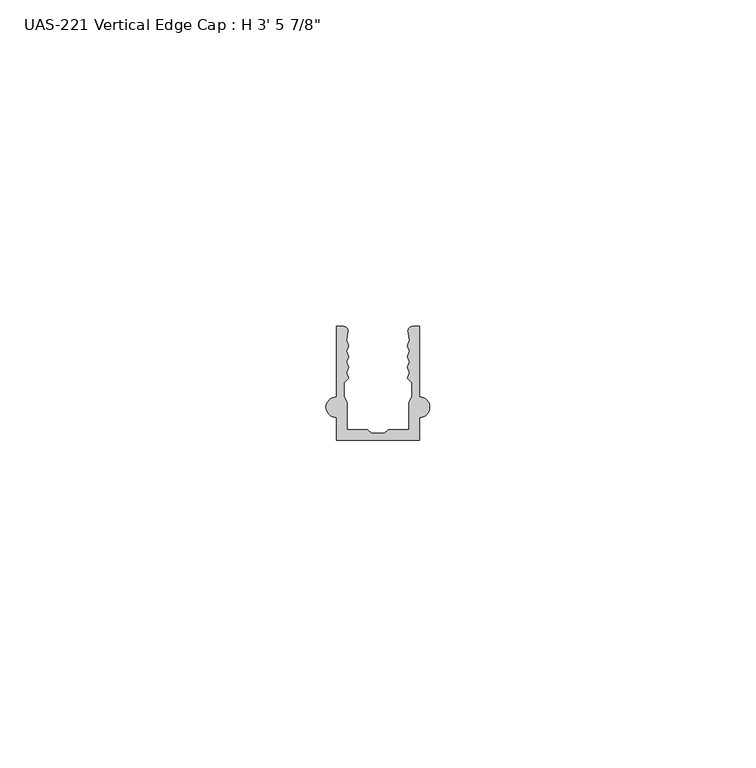
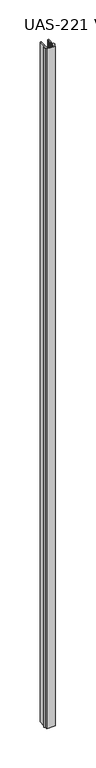
"""IFC4 building model written with IfcOpenShell, lengths in millimetres: proxy geometry."""

import ifcopenshell
import ifcopenshell.guid

model = None  # the IFC model being written
_history = None  # IfcOwnerHistory: only IFC2X3 demands one
_inside = {}  # id of a spatial element -> (the spatial element, [elements in it])
_under = {}  # id of a project, library or spatial element -> (it, [spatial elements below it])
_declared = {}  # id of a project -> (the project, [libraries it declares])
_typed = {}  # id of a type object -> (the type object, [elements of that type])
_made_of = {}  # id of a material, layer set ... -> (it, [elements and type objects made of it])


def new_model(schema):
    """Start an empty IFC model of exactly this schema.

    Asked for "IFC4X3", IfcOpenShell would pick the latest addendum, in which some entities
    have other attributes; the version numbers below select the first issue.
    IFC2X3 requires an IfcOwnerHistory on every rooted entity: one is made here for all.
    """
    global model, _history
    if schema == "IFC4X3":
        model = ifcopenshell.file(schema_version=(4, 3, 0, 0))
    else:
        model = ifcopenshell.file(schema=schema)
    _inside.clear()
    _under.clear()
    _declared.clear()
    _typed.clear()
    _made_of.clear()
    _history = None
    if model.schema == "IFC2X3":
        org = make("IfcOrganization", Name="unknown")
        user = make(
            "IfcPersonAndOrganization",
            ThePerson=make("IfcPerson", FamilyName="unknown"),
            TheOrganization=org,
        )
        app = make(
            "IfcApplication",
            ApplicationDeveloper=org,
            Version="unknown",
            ApplicationFullName="unknown",
            ApplicationIdentifier="unknown",
        )
        _history = make(
            "IfcOwnerHistory",
            OwningUser=user,
            OwningApplication=app,
            ChangeAction="ADDED",
            CreationDate=0,
        )
    return model


def make(cls, **values):
    """One entity of the class cls with the attributes given. An attribute that is None is left unset."""
    return model.create_entity(
        cls, **{name: value for name, value in values.items() if value is not None}
    )


def rooted(cls, **values):
    """An entity with a GlobalId (a new one), such as an element, a storey or a relation."""
    return make(cls, GlobalId=ifcopenshell.guid.new(), OwnerHistory=_history, **values)


def si_unit(unit_type, name, prefix=None):
    """IfcSIUnit, for example si_unit("LENGTHUNIT", "METRE", prefix="MILLI")."""
    return make("IfcSIUnit", UnitType=unit_type, Prefix=prefix, Name=name)


def assignment(units):
    """IfcUnitAssignment: the units of a project."""
    return None if units is None else make("IfcUnitAssignment", Units=units)


def point(xyz):
    """IfcCartesianPoint."""
    return None if xyz is None else make("IfcCartesianPoint", Coordinates=xyz)


def direction(xyz):
    """IfcDirection."""
    return None if xyz is None else make("IfcDirection", DirectionRatios=xyz)


def frame(location, z_axis=None, x_axis=None):
    """IfcAxis2Placement3D, a coordinate frame: its origin and axes. An axis left out is left unset."""
    return make(
        "IfcAxis2Placement3D",
        Location=point(location),
        Axis=direction(z_axis),
        RefDirection=direction(x_axis),
    )


def frame_2d(location, x_axis=None):
    """IfcAxis2Placement2D, a coordinate frame in the plane: its origin and x axis."""
    return make(
        "IfcAxis2Placement2D", Location=point(location), RefDirection=direction(x_axis)
    )


def origin():
    """The frame at (0, 0, 0) with its axes left unset."""
    return frame((0.0, 0.0, 0.0))


def origin_with_axes():
    """The frame at (0, 0, 0) with the z axis (0, 0, 1) and the x axis (1, 0, 0) written out."""
    return frame((0.0, 0.0, 0.0), z_axis=(0.0, 0.0, 1.0), x_axis=(1.0, 0.0, 0.0))


def place(relative_to, where):
    """IfcLocalPlacement: puts the frame where relative to a parent placement (None: the world)."""
    return make(
        "IfcLocalPlacement", PlacementRelTo=relative_to, RelativePlacement=where
    )


def context(
    kind, dimensions, precision=None, world=None, true_north=None, identifier=None
):
    """IfcGeometricRepresentationContext, for example the 3D "Model" context."""
    return make(
        "IfcGeometricRepresentationContext",
        ContextIdentifier=identifier,
        ContextType=kind,
        CoordinateSpaceDimension=dimensions,
        Precision=precision,
        WorldCoordinateSystem=world,
        TrueNorth=true_north,
    )


def project(units=None, contexts=None):
    """IfcProject with its units and contexts."""
    return rooted(
        "IfcProject",
        Name="project",
        RepresentationContexts=contexts,
        UnitsInContext=assignment(units),
    )


def spatial(cls, under=None, at=None, **own):
    """A site, building, storey or space (cls), placed at a placement, below another one or the project."""
    s = rooted(cls, ObjectPlacement=at, **own)
    if under is not None:
        _under.setdefault(under.id(), (under, []))[1].append(s)
    return s


def polyline(points):
    """IfcPolyline through the points."""
    return make("IfcPolyline", Points=[point(p) for p in points])


def circle_curve(where, radius):
    """IfcCircle in the frame where."""
    return make("IfcCircle", Position=where, Radius=radius)


def trimmed(basis, trim1, trim2, sense, master):
    """IfcTrimmedCurve: the piece of a basis curve between two trims."""
    return make(
        "IfcTrimmedCurve",
        BasisCurve=basis,
        Trim1=trim1,
        Trim2=trim2,
        SenseAgreement=sense,
        MasterRepresentation=master,
    )


def segment(curve, same_sense, transition):
    """IfcCompositeCurveSegment."""
    return make(
        "IfcCompositeCurveSegment",
        Transition=transition,
        SameSense=same_sense,
        ParentCurve=curve,
    )


def composite_curve(segments, self_intersect=None):
    """IfcCompositeCurve: segments joined end to end."""
    return make("IfcCompositeCurve", Segments=segments, SelfIntersect=self_intersect)


def outline(outer, holes=None, kind="AREA"):
    """IfcArbitraryClosedProfileDef: a profile drawn as a closed curve; with holes, ...WithVoids."""
    if holes is None:
        return make("IfcArbitraryClosedProfileDef", ProfileType=kind, OuterCurve=outer)
    return make(
        "IfcArbitraryProfileDefWithVoids",
        ProfileType=kind,
        OuterCurve=outer,
        InnerCurves=holes,
    )


def extrude(swept, where, along, depth):
    """IfcExtrudedAreaSolid: the profile swept, set in the frame where, extruded along a direction by depth."""
    return make(
        "IfcExtrudedAreaSolid",
        SweptArea=swept,
        Position=where,
        ExtrudedDirection=direction(along),
        Depth=depth,
    )


def shape(context_of_items, identifier, shape_type, items):
    """IfcShapeRepresentation: the items that make up one representation, for example the "Body"."""
    return make(
        "IfcShapeRepresentation",
        ContextOfItems=context_of_items,
        RepresentationIdentifier=identifier,
        RepresentationType=shape_type,
        Items=items,
    )


def source(mapping_origin, context_of_items, identifier, shape_type, items):
    """IfcRepresentationMap: a shape defined once, which mapped items show again and again."""
    return make(
        "IfcRepresentationMap",
        MappingOrigin=mapping_origin,
        MappedRepresentation=shape(context_of_items, identifier, shape_type, items),
    )


def transform(
    local_origin,
    x_axis=None,
    y_axis=None,
    z_axis=None,
    scale=None,
    scale2=None,
    scale3=None,
    uniform=True,
):
    """IfcCartesianTransformationOperator3D, or its non-uniform kind. x_axis, y_axis, z_axis: its Axis1, 2, 3."""
    if uniform:
        return make(
            "IfcCartesianTransformationOperator3D",
            Axis1=direction(x_axis),
            Axis2=direction(y_axis),
            LocalOrigin=point(local_origin),
            Scale=scale,
            Axis3=direction(z_axis),
        )
    return make(
        "IfcCartesianTransformationOperator3DnonUniform",
        Axis1=direction(x_axis),
        Axis2=direction(y_axis),
        LocalOrigin=point(local_origin),
        Scale=scale,
        Axis3=direction(z_axis),
        Scale2=scale2,
        Scale3=scale3,
    )


def mapped(mapping_source, mapping_target):
    """IfcMappedItem: shows the shape of a source again, moved by a transform."""
    return make(
        "IfcMappedItem", MappingSource=mapping_source, MappingTarget=mapping_target
    )


def made_of(thing, what):
    """Note that an element or type object is made of a material, layer set ...; save() writes the relation."""
    if what is not None:
        _made_of.setdefault(what.id(), (what, []))[1].append(thing)
    return thing


def element(
    cls,
    number,
    at=None,
    inside=None,
    cuts=None,
    type_object=None,
    material=None,
    context=None,
    identifier="Body",
    shape_type=None,
    held_by="IfcProductDefinitionShape",
    body=None,
    shapes=None,
    **own,
):
    """One element of the class cls, such as IfcWall. Its Tag is "e" and its number.

    at: its placement. inside: the storey or other place that contains it. cuts: it is an
    opening in that element (IfcRelVoidsElement). A single representation is given by context,
    identifier, shape_type and body (its items); several are given by shapes. held_by: the class
    of the entity that holds the representations. save() writes the other relations.
    """
    e = rooted(cls, Tag="e%d" % number, ObjectPlacement=at, **own)
    if body is not None:
        shapes = [shape(context, identifier, shape_type, body)]
    if shapes is not None:
        e.Representation = make(held_by, Representations=shapes)
    if inside is not None:
        _inside.setdefault(inside.id(), (inside, []))[1].append(e)
    if cuts is not None:
        rooted(
            "IfcRelVoidsElement", RelatingBuildingElement=cuts, RelatedOpeningElement=e
        )
    if type_object is not None:
        _typed.setdefault(type_object.id(), (type_object, []))[1].append(e)
    return made_of(e, material)


def aggregate(whole, parts):
    """IfcRelAggregates: a whole, such as a stair, and the parts it consists of."""
    return rooted("IfcRelAggregates", RelatingObject=whole, RelatedObjects=parts)


def save(model, path):
    """Write the relations noted so far, then the file.

    IfcRelAggregates (storeys below a building ...), IfcRelContainedInSpatialStructure (elements
    in a storey), IfcRelDefinesByType, IfcRelAssociatesMaterial and IfcRelDeclares: one each for
    every whole, place, type object, material and project.
    """
    for whole, parts in _under.values():
        aggregate(whole, parts)
    for where, things in _inside.values():
        rooted(
            "IfcRelContainedInSpatialStructure",
            RelatedElements=things,
            RelatingStructure=where,
        )
    for kind, things in _typed.values():
        rooted("IfcRelDefinesByType", RelatedObjects=things, RelatingType=kind)
    for what, things in _made_of.values():
        rooted("IfcRelAssociatesMaterial", RelatedObjects=things, RelatingMaterial=what)
    for by, libraries in _declared.values():
        rooted("IfcRelDeclares", RelatingContext=by, RelatedDefinitions=libraries)
    model.write(path)


def proxy_3398c82c(model_context):
    return source(origin(), model_context, "Body", "SweptSolid", [
        extrude(outline(composite_curve([segment(polyline([(14.2875, 0.0), (1.5875, 0.0), (1.5875, 3.48615)]), True, "CONTINUOUS"), segment(trimmed(circle_curve(frame_2d((1.5875, 5.07365)), 1.5875), [point((1.5875, 3.48615))], [point((1.5875, 6.66115))], False, "CARTESIAN"), True, "CONTINUOUS"), segment(polyline([(1.5875, 6.66115), (1.5875, 17.4398781), (2.6288016, 17.4398781)]), True, "CONTINUOUS"), segment(trimmed(circle_curve(frame_2d((2.6288016, 16.7123859)), 0.7274922), [point((2.6288016, 17.4398781))], [point((3.3412585, 16.8595257))], False, "CARTESIAN"), True, "CONTINUOUS"), segment(polyline([(3.3412585, 16.8595257), (3.1475396, 15.3531342), (3.403871, 14.5147118), (3.1475396, 13.6762893), (3.403871, 12.8378669), (3.1475396, 11.9994444), (3.403871, 11.161022), (3.1475396, 10.3225996), (3.403871, 9.4841771), (2.76421, 8.844516), (2.76421, 6.6878438), (3.175, 5.8069017), (3.175, 1.5875), (6.35, 1.5875), (6.9567979, 1.0783361), (7.9375, 1.0783361), (8.9182021, 1.0783361), (9.525, 1.5875), (12.7, 1.5875), (12.7, 5.8069017), (13.11079, 6.6878438), (13.11079, 8.844516), (12.471129, 9.4841771), (12.7274604, 10.3225996), (12.471129, 11.161022), (12.7274604, 11.9994444), (12.471129, 12.8378669), (12.7274604, 13.6762893), (12.471129, 14.5147118), (12.7274604, 15.3531342), (12.5337415, 16.8595257)]), True, "CONTINUOUS"), segment(trimmed(circle_curve(frame_2d((13.2461984, 16.7123859)), 0.7274922), [point((12.5337415, 16.8595257))], [point((13.2461984, 17.4398781))], False, "CARTESIAN"), True, "CONTINUOUS"), segment(polyline([(13.2461984, 17.4398781), (14.2875, 17.4398781), (14.2875, 6.66115)]), True, "CONTINUOUS"), segment(trimmed(circle_curve(frame_2d((14.2875, 5.07365)), 1.5875), [point((14.2875, 6.66115))], [point((14.2875, 3.48615))], False, "CARTESIAN"), True, "CONTINUOUS"), segment(polyline([(14.2875, 3.48615), (14.2875, 0.0)]), True, "CONTINUOUS")], self_intersect=False)), origin_with_axes(), (0.0, 0.0, 1.0), 1063.625),
    ])


if __name__ == "__main__":
    model = new_model("IFC4")
    model_context = context("Model", 3, world=origin())
    ifc_project = project(units=[si_unit("LENGTHUNIT", "METRE", prefix="MILLI")], contexts=[model_context])
    site = spatial("IfcSite", under=ifc_project)
    building = spatial("IfcBuilding", under=site)
    placement = place(None, origin())
    proxy_shape = proxy_3398c82c(model_context)
    element("IfcBuildingElementProxy", 1, Name="UAS-221 Vertical Edge Cap : H 3' 5 7/8\"", ObjectType="UAS-221 Vertical Edge Cap : H 3' 5 7/8\"", at=placement, inside=building, context=model_context, shape_type="MappedRepresentation", body=[
        mapped(proxy_shape, transform((0.0, 0.0, 0.0), x_axis=(1.0, 0.0, 0.0), y_axis=(0.0, 1.0, 0.0), z_axis=(0.0, 0.0, 1.0))),
    ])
    save(model, "model.ifc")
